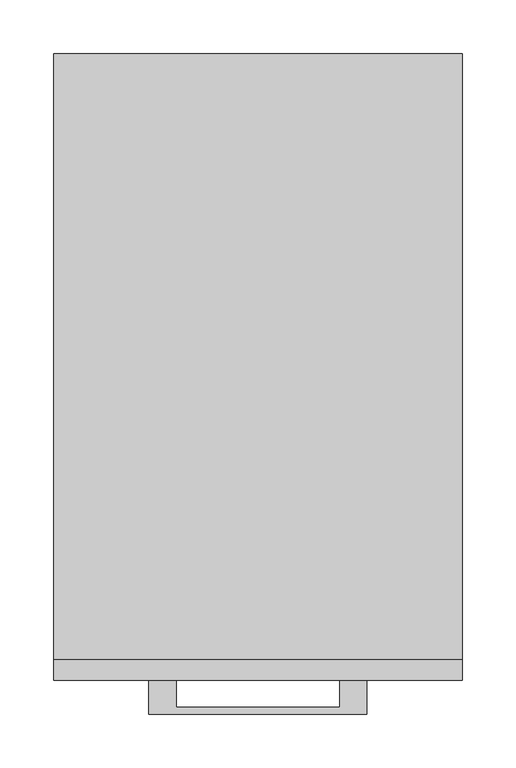
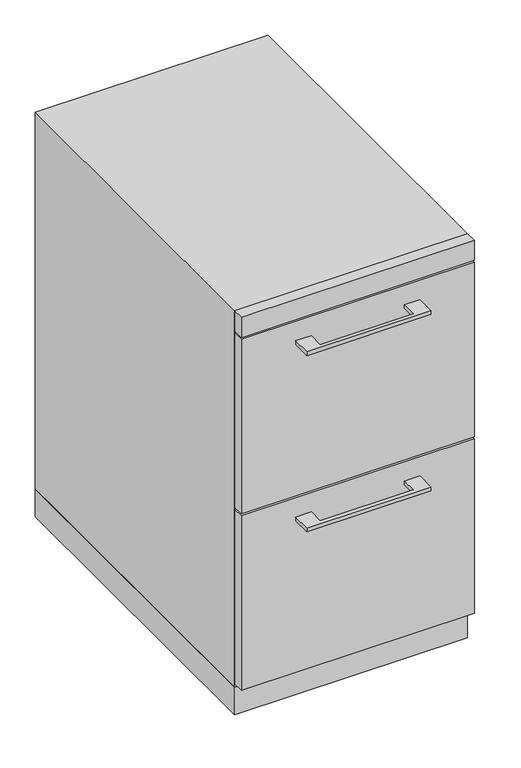
"""IFC4 building model written with IfcOpenShell, lengths in millimetres: furniture geometry."""

from ifc_helpers import new_model, si_unit, frame, origin, origin_with_axes, place, context, project, spatial, polyline, outline, extrude, source, transform, mapped, element, save


def furniture_74f7af71(model_context):
    return source(origin(), model_context, "Body", "SweptSolid", [
        extrude(outline(polyline([(-76.1999818, -584.2), (-76.1999818, -609.5999758), (76.2, -609.5999758), (76.2, -584.2), (101.5999939, -584.2), (101.5999939, -615.9499879), (-101.5999939, -615.9499879), (-101.5999939, -584.2), (-76.1999818, -584.2)])), frame((0.0, 0.0, 620.7125506), z_axis=(0.0, 0.0, 1.0), x_axis=(1.0, 0.0, 0.0)), (0.0, 0.0, 1.0), 6.3499758),
        extrude(outline(polyline([(190.5, -565.15), (190.5, -584.2), (-190.5, -584.2), (-190.5, -565.15), (190.5, -565.15)])), frame((0.0, 0.0, 358.775), z_axis=(0.0, 0.0, 1.0), x_axis=(1.0, 0.0, 0.0)), (0.0, 0.0, 1.0), 301.625),
        extrude(outline(polyline([(-76.1999818, -584.2), (-76.1999818, -609.5999758), (76.2, -609.5999758), (76.2, -584.2), (101.5999939, -584.2), (101.5999939, -615.9499879), (-101.5999939, -615.9499879), (-101.5999939, -584.2), (-76.1999818, -584.2)])), frame((0.0, 0.0, 315.9125506), z_axis=(0.0, 0.0, 1.0), x_axis=(1.0, 0.0, 0.0)), (0.0, 0.0, 1.0), 6.3499758),
        extrude(outline(polyline([(190.5, -565.15), (190.5, -584.2), (-190.5, -584.2), (-190.5, -565.15), (190.5, -565.15)])), frame((0.0, 0.0, 53.975), z_axis=(0.0, 0.0, 1.0), x_axis=(1.0, 0.0, 0.0)), (0.0, 0.0, 1.0), 301.625),
        extrude(outline(polyline([(190.5, 0.0), (190.5, -565.15), (-190.5, -565.15), (-190.5, 0.0), (190.5, 0.0)])), origin_with_axes(), (0.0, 0.0, 1.0), 47.625),
        extrude(outline(polyline([(190.5, -584.2), (-190.5, -584.2), (-190.5, -565.15), (190.5, -565.15), (190.5, -584.2)])), frame((0.0, 0.0, 663.575), z_axis=(0.0, 0.0, 1.0), x_axis=(1.0, 0.0, 0.0)), (0.0, 0.0, 1.0), 34.925),
        extrude(outline(polyline([(190.5, 0.0), (190.5, -565.15), (-190.5, -565.15), (-190.5, 0.0), (190.5, 0.0)])), frame((0.0, 0.0, 47.625), z_axis=(0.0, 0.0, 1.0), x_axis=(1.0, 0.0, 0.0)), (0.0, 0.0, 1.0), 650.875),
    ])


if __name__ == "__main__":
    model = new_model("IFC4")
    model_context = context("Model", 3, world=origin())
    ifc_project = project(units=[si_unit("LENGTHUNIT", "METRE", prefix="MILLI")], contexts=[model_context])
    site = spatial("IfcSite", under=ifc_project)
    building = spatial("IfcBuilding", under=site)
    placement = place(None, origin())
    furniture_shape = furniture_74f7af71(model_context)
    element("IfcFurniture", 1, at=placement, inside=building, context=model_context, shape_type="MappedRepresentation", body=[
        mapped(furniture_shape, transform((0.0, 0.0, 0.0), x_axis=(1.0, 0.0, 0.0), y_axis=(0.0, 1.0, 0.0), z_axis=(0.0, 0.0, 1.0))),
    ])
    save(model, "model.ifc")
